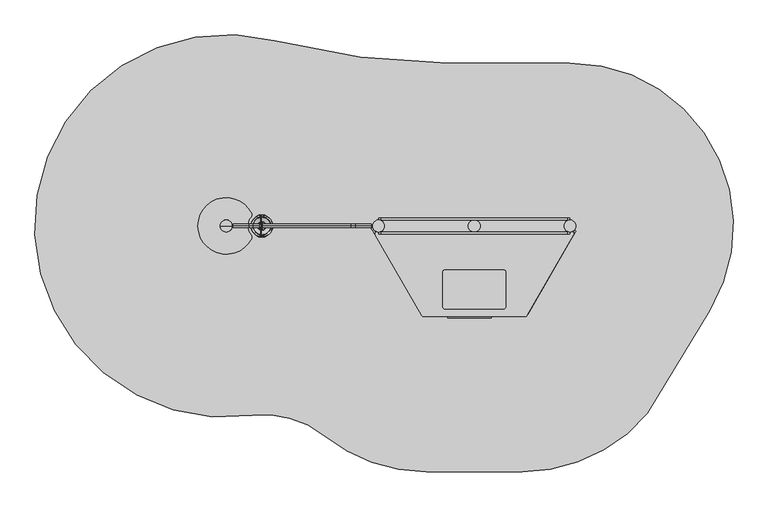
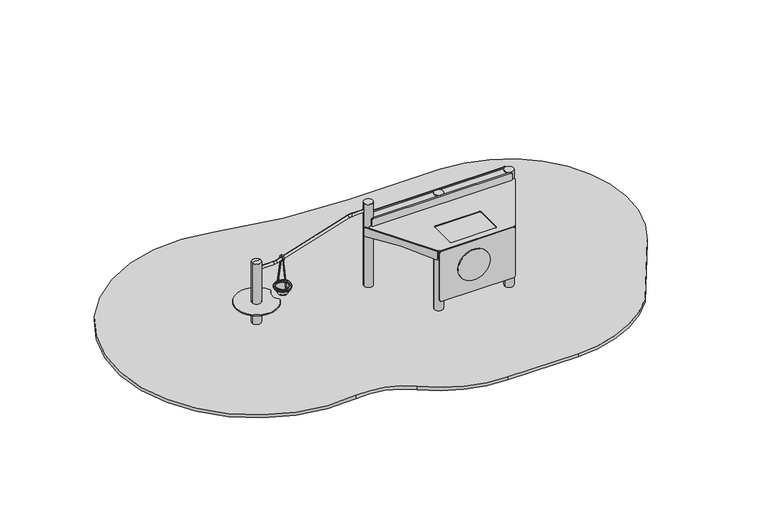
"""IFC4 building model written with IfcOpenShell, lengths in millimetres: furniture geometry."""

from ifc_helpers import new_model, si_unit, point, frame, frame_2d, origin, origin_2d, place, context, project, spatial, polyline, circle_curve, ellipse_curve, trimmed, segment, composite_curve, outline, extrude, source, transform, mapped, element, save
from ifc_brep_helpers import plane_surface, cylinder_surface, revolved_surface, advanced_brep


def furniture_1434e474(model_context):
    return source(origin(), model_context, "Body", "SolidModel", [
        advanced_brep(
        [(-1345.0, 0.0, 800.0), (-1455.0, 0.0, 800.0), (-1400.0, 0.0, 812.0246565), (-1400.0, 0.0, 800.0)],
        [
            (0, 1, circle_curve(frame((-1400.0, 0.0, 800.0), z_axis=(0.0, 0.0, 1.0), x_axis=(-1.0, 0.0, 0.0)), 55.0)),
            (1, 2, circle_curve(frame((-1404.5450144, 0.0, 701.0177111), z_axis=(0.0, 1.0, 0.0), x_axis=(-1.0, 0.0, 0.0)), 111.0999509)),
            (2, 0, circle_curve(frame((-1395.4549856, 0.0, 701.0177111), z_axis=(0.0, 1.0, 0.0), x_axis=(1.0, 0.0, 0.0)), 111.0999509)),
            (1, 0, circle_curve(frame((-1400.0, 0.0, 800.0), z_axis=(0.0, 0.0, 1.0), x_axis=(-1.0, 0.0, 0.0)), 55.0)),
            (3, 1),
            (0, 3),
        ],
        [
            revolved_surface(trimmed(ellipse_curve(frame((-1404.5450144, 0.0, 701.0177111), z_axis=(0.0, -1.0, 0.0), x_axis=(-1.0, 0.0, 0.0)), 111.0999509, 111.0999509), [point((-1400.0, 0.0, 812.0246565))], [point((-1455.0, 0.0, 800.0))], True, "CARTESIAN"), (-1400.0, 0.0, 419.0), (0.0, 0.0, -1.0)),
            plane_surface(frame((-1400.0, 0.0, 800.0), z_axis=(0.0, 0.0, -1.0), x_axis=(-1.0, 0.0, 0.0))),
        ],
        [
            (0, [[1, 2, 3]]),
            (0, [[4, -3, -2]]),
            (1, [[5, -1, 6]]),
            (1, [[-6, -4, -5]]),
        ],
    ),
        extrude(outline(composite_curve([segment(trimmed(circle_curve(frame_2d((635.7799488, 7840.0)), 6340.0), [point((-957.6576901, 1703.5061728))], [point((635.7799488, 1500.0))], True, "CARTESIAN"), True, "CONTINUOUS"), segment(polyline([(635.7799488, 1500.0), (1760.0, 1500.0)]), True, "CONTINUOUS"), segment(trimmed(circle_curve(frame_2d((1760.0, 0.0)), 1500.0), [point((1760.0, 1500.0))], [point((3043.5811662, -776.1568075))], False, "CARTESIAN"), True, "CONTINUOUS"), segment(polyline([(3043.5811662, -776.1568075), (2469.2561908, -1725.955501)]), True, "CONTINUOUS"), segment(trimmed(circle_curve(frame_2d((1320.0, -762.0)), 1500.0), [point((2469.2561908, -1725.955501))], [point((1320.0, -2262.0))], False, "CARTESIAN"), True, "CONTINUOUS"), segment(polyline([(1320.0, -2262.0), (440.0, -2262.0)]), True, "CONTINUOUS"), segment(trimmed(circle_curve(frame_2d((440.0, -762.0)), 1500.0), [point((440.0, -2262.0))], [point((-504.1146464, -1927.6103699))], False, "CARTESIAN"), True, "CONTINUOUS"), segment(trimmed(circle_curve(frame_2d((-1045.4070436, -2595.8936487)), 860.0), [point((-504.1146464, -1927.6103699))], [point((-1161.8001515, -1743.8064205))], True, "CARTESIAN"), True, "CONTINUOUS"), segment(trimmed(circle_curve(frame_2d((-1400.0, 0.0)), 1760.0), [point((-1161.8001515, -1743.8064205))], [point((-957.6576901, 1703.5061728))], False, "CARTESIAN"), True, "CONTINUOUS")], self_intersect=False)), frame((0.0, 0.0, -40.0), z_axis=(0.0, 0.0, 1.0), x_axis=(1.0, 0.0, 0.0)), (0.0, 0.0, 1.0), 41.0),
        extrude(outline(composite_curve([segment(trimmed(circle_curve(frame_2d((-1400.0, 0.0)), 55.0), [point((-1455.0, 0.0))], [point((-1345.0, 0.0))], False, "CARTESIAN"), True, "CONTINUOUS"), segment(trimmed(circle_curve(frame_2d((-1400.0, 0.0)), 55.0), [point((-1345.0, 0.0))], [point((-1455.0, 0.0))], False, "CARTESIAN"), True, "CONTINUOUS")], self_intersect=False)), frame((0.0, 0.0, -100.0), z_axis=(0.0, 0.0, 1.0), x_axis=(1.0, 0.0, 0.0)), (0.0, 0.0, 1.0), 900.0),
        extrude(outline(composite_curve([segment(trimmed(circle_curve(frame_2d((487.584354, 835.1614399)), 200.0), [point((487.584354, 635.1614399))], [point((487.584354, 1035.1614399))], False, "CARTESIAN"), True, "CONTINUOUS"), segment(trimmed(circle_curve(frame_2d((487.584354, 835.1614399)), 200.0), [point((487.584354, 1035.1614399))], [point((487.584354, 635.1614399))], False, "CARTESIAN"), True, "CONTINUOUS")], self_intersect=False)), frame((0.0, -846.4104492, 0.0), z_axis=(0.0, 1.0, 0.0), x_axis=(0.0, 0.0, 1.0)), (0.0, 0.0, 1.0), 12.0),
        advanced_brep(
        [(416.9967475, -834.4104492, 812.0), (1347.4714433, -834.4104492, 812.0), (1364.7919514, -824.4104492, 812.0), (1792.1265001, -84.2452991, 812.0), (1773.605792, -54.2813436, 812.0), (1761.6517634, -55.0, 812.0), (-11.8140663, -55.0, 812.0), (-29.1151699, -85.0335346, 812.0), (399.6956439, -824.4439838, 812.0), (610.0, -404.1548617, 812.0), (1150.0, -404.1548617, 812.0), (1170.0, -424.1548617, 812.0), (1170.0, -742.0, 812.0), (1150.0, -762.0, 812.0), (610.0, -762.0, 812.0), (590.0, -742.0, 812.0), (590.0, -424.1548617, 812.0), (416.9967475, -834.4104492, 800.0), (399.6956439, -824.4439838, 800.0), (-29.1151699, -85.0335346, 800.0), (-11.8140663, -55.0, 800.0), (1761.6517634, -55.0, 800.0), (1773.605792, -54.2813436, 800.0), (1792.1265001, -84.2452991, 800.0), (1364.7919514, -824.4104492, 800.0), (1347.4714433, -834.4104492, 800.0), (1150.0, -404.1548617, 802.0), (610.0, -404.1548617, 802.0), (590.0, -424.1548617, 802.0), (590.0, -742.0, 802.0), (610.0, -762.0, 802.0), (1150.0, -762.0, 802.0), (1170.0, -742.0, 802.0), (1170.0, -424.1548617, 802.0)],
        [
            (0, 1),
            (1, 2, circle_curve(frame((1347.4714433, -814.4104492, 812.0), z_axis=(0.0, 0.0, 1.0), x_axis=(1.0, 0.0, 0.0)), 20.0)),
            (2, 3),
            (3, 4, circle_curve(frame((1774.805992, -74.2452991, 812.0), z_axis=(0.0, 0.0, 1.0), x_axis=(1.0, 0.0, 0.0)), 20.0)),
            (4, 5),
            (5, 6),
            (6, 7, circle_curve(frame((-11.8140663, -75.0, 812.0), z_axis=(0.0, 0.0, 1.0), x_axis=(1.0, 0.0, 0.0)), 20.0)),
            (7, 8),
            (8, 0, circle_curve(frame((416.9967475, -814.4104492, 812.0), z_axis=(0.0, 0.0, 1.0), x_axis=(1.0, 0.0, 0.0)), 20.0)),
            (9, 10),
            (10, 11, circle_curve(frame((1150.0, -424.1548617, 812.0), z_axis=(0.0, 0.0, -1.0), x_axis=(1.0, 0.0, 0.0)), 20.0)),
            (11, 12),
            (12, 13, circle_curve(frame((1150.0, -742.0, 812.0), z_axis=(0.0, 0.0, -1.0), x_axis=(1.0, 0.0, 0.0)), 20.0)),
            (13, 14),
            (14, 15, circle_curve(frame((610.0, -742.0, 812.0), z_axis=(0.0, 0.0, -1.0), x_axis=(1.0, 0.0, 0.0)), 20.0)),
            (15, 16),
            (16, 9, circle_curve(frame((610.0, -424.1548617, 812.0), z_axis=(0.0, 0.0, -1.0), x_axis=(1.0, 0.0, 0.0)), 20.0)),
            (17, 18, circle_curve(frame((416.9967475, -814.4104492, 800.0), z_axis=(0.0, 0.0, -1.0), x_axis=(1.0, 0.0, 0.0)), 20.0)),
            (18, 19),
            (19, 20, circle_curve(frame((-11.8140663, -75.0, 800.0), z_axis=(0.0, 0.0, -1.0), x_axis=(1.0, 0.0, 0.0)), 20.0)),
            (20, 21),
            (21, 22),
            (22, 23, circle_curve(frame((1774.805992, -74.2452991, 800.0), z_axis=(0.0, 0.0, -1.0), x_axis=(1.0, 0.0, 0.0)), 20.0)),
            (23, 24),
            (24, 25, circle_curve(frame((1347.4714433, -814.4104492, 800.0), z_axis=(0.0, 0.0, -1.0), x_axis=(1.0, 0.0, 0.0)), 20.0)),
            (25, 17),
            (0, 17),
            (25, 1),
            (7, 19),
            (18, 8),
            (24, 2),
            (23, 3),
            (22, 4),
            (21, 5),
            (20, 6),
            (26, 27),
            (27, 28, circle_curve(frame((610.0, -424.1548617, 802.0), z_axis=(0.0, 0.0, 1.0), x_axis=(1.0, 0.0, 0.0)), 20.0)),
            (28, 29),
            (29, 30, circle_curve(frame((610.0, -742.0, 802.0), z_axis=(0.0, 0.0, 1.0), x_axis=(1.0, 0.0, 0.0)), 20.0)),
            (30, 31),
            (31, 32, circle_curve(frame((1150.0, -742.0, 802.0), z_axis=(0.0, 0.0, 1.0), x_axis=(1.0, 0.0, 0.0)), 20.0)),
            (32, 33),
            (33, 26, circle_curve(frame((1150.0, -424.1548617, 802.0), z_axis=(0.0, 0.0, 1.0), x_axis=(1.0, 0.0, 0.0)), 20.0)),
            (26, 10),
            (9, 27),
            (16, 28),
            (15, 29),
            (14, 30),
            (13, 31),
            (12, 32),
            (11, 33),
        ],
        [
            plane_surface(frame((1351.65283, -834.4104492, 812.0), z_axis=(0.0, 0.0, 1.0), x_axis=(1.0, 0.0, 0.0))),
            plane_surface(frame((1351.65283, -834.4104492, 800.0), z_axis=(0.0, 0.0, -1.0), x_axis=(-1.0, 0.0, 0.0))),
            plane_surface(frame((416.9967475, -834.4104492, 812.0), z_axis=(0.0, -1.0, 0.0), x_axis=(0.0, 0.0, -1.0))),
            plane_surface(frame((-29.1151699, -85.0335346, 812.0), z_axis=(-0.8650551777748036, -0.5016767279882565, 0.0), x_axis=(0.0, 0.0, -1.0))),
            cylinder_surface(frame((416.9967475, -814.4104492, 800.0), z_axis=(0.0, 0.0, 1.0), x_axis=(1.0, 0.0, 0.0)), 20.0),
            cylinder_surface(frame((1347.4714433, -814.4104492, 800.0), z_axis=(0.0, 0.0, 1.0), x_axis=(1.0, 0.0, 0.0)), 20.0),
            plane_surface(frame((1364.7919514, -824.4104492, 812.0), z_axis=(0.866025403784438, -0.500000000000001, 0.0), x_axis=(0.0, 0.0, -1.0))),
            cylinder_surface(frame((1774.805992, -74.2452991, 800.0), z_axis=(0.0, 0.0, 1.0), x_axis=(1.0, 0.0, 0.0)), 20.0),
            plane_surface(frame((1773.605792, -54.2813436, 812.0), z_axis=(-0.06001000084399459, 0.9981977758934868, 0.0), x_axis=(0.0, 0.0, -1.0))),
            plane_surface(frame((1761.6517634, -55.0, 812.0), z_axis=(0.0, 1.0, 0.0), x_axis=(0.0, 0.0, -1.0))),
            cylinder_surface(frame((-11.8140663, -75.0, 800.0), z_axis=(0.0, 0.0, 1.0), x_axis=(1.0, 0.0, 0.0)), 20.0),
            plane_surface(frame((566.308841, -404.1548617, 802.0), z_axis=(0.0, 0.0, 1.0), x_axis=(1.0, 0.0, 0.0))),
            plane_surface(frame((1150.0, -404.1548617, 812.0), z_axis=(0.0, -1.0, 0.0), x_axis=(0.0, 0.0, -1.0))),
            revolved_surface(polyline([(630.0, -424.1548617, 812.0), (630.0, -424.1548617, 802.0)]), (610.0, -424.1548617, 802.0), (0.0, 0.0, 1.0)),
            plane_surface(frame((590.0, -424.1548617, 812.0), z_axis=(1.0, 0.0, 0.0), x_axis=(0.0, 0.0, -1.0))),
            revolved_surface(polyline([(630.0, -742.0, 812.0), (630.0, -742.0, 802.0)]), (610.0, -742.0, 802.0), (0.0, 0.0, 1.0)),
            plane_surface(frame((610.0, -762.0, 812.0), z_axis=(0.0, 1.0, 0.0), x_axis=(0.0, 0.0, -1.0))),
            revolved_surface(polyline([(1170.0, -742.0, 812.0), (1170.0, -742.0, 802.0)]), (1150.0, -742.0, 802.0), (0.0, 0.0, 1.0)),
            plane_surface(frame((1170.0, -742.0, 812.0), z_axis=(-1.0, 0.0, 0.0), x_axis=(0.0, 0.0, -1.0))),
            revolved_surface(polyline([(1170.0, -424.1548617, 812.0), (1170.0, -424.1548617, 802.0)]), (1150.0, -424.1548617, 802.0), (0.0, 0.0, 1.0)),
        ],
        [
            (0, [[1, 2, 3, 4, 5, 6, 7, 8, 9], [10, 11, 12, 13, 14, 15, 16, 17]]),
            (1, [[18, 19, 20, 21, 22, 23, 24, 25, 26]]),
            (2, [[-1, 27, -26, 28]]),
            (3, [[-8, 29, -19, 30]]),
            (4, [[-9, -30, -18, -27]]),
            (5, [[-2, -28, -25, 31]]),
            (6, [[-3, -31, -24, 32]]),
            (7, [[-4, -32, -23, 33]]),
            (8, [[-5, -33, -22, 34]]),
            (9, [[-6, -34, -21, 35]]),
            (10, [[-7, -35, -20, -29]]),
            (11, [[36, 37, 38, 39, 40, 41, 42, 43]]),
            (12, [[-36, 44, -10, 45]]),
            (13, [[-37, -45, -17, 46]]),
            (14, [[-38, -46, -16, 47]]),
            (15, [[-39, -47, -15, 48]]),
            (16, [[-40, -48, -14, 49]]),
            (17, [[-41, -49, -13, 50]]),
            (18, [[-42, -50, -12, 51]]),
            (19, [[-43, -51, -11, -44]]),
        ],
    ),
        extrude(outline(composite_curve([segment(trimmed(circle_curve(frame_2d((892.0, 20.0)), 20.0), [point((912.0, 20.0))], [point((892.0, 0.0))], False, "CARTESIAN"), True, "CONTINUOUS"), segment(polyline([(892.0, 0.0), (658.0, 0.0)]), True, "CONTINUOUS"), segment(trimmed(circle_curve(frame_2d((658.0, 20.0)), 20.0), [point((658.0, 0.0))], [point((638.0, 20.0))], False, "CARTESIAN"), True, "CONTINUOUS"), segment(polyline([(638.0, 20.0), (638.0, 1740.0)]), True, "CONTINUOUS"), segment(trimmed(circle_curve(frame_2d((658.0, 1740.0)), 20.0), [point((638.0, 1740.0))], [point((658.0, 1760.0))], False, "CARTESIAN"), True, "CONTINUOUS"), segment(polyline([(658.0, 1760.0), (892.0, 1760.0)]), True, "CONTINUOUS"), segment(trimmed(circle_curve(frame_2d((892.0, 1740.0)), 20.0), [point((892.0, 1760.0))], [point((912.0, 1740.0))], False, "CARTESIAN"), True, "CONTINUOUS"), segment(polyline([(912.0, 1740.0), (912.0, 20.0)]), True, "CONTINUOUS")], self_intersect=False)), frame((0.0, 55.0, 0.0), z_axis=(0.0, 1.0, 0.0), x_axis=(0.0, 0.0, 1.0)), (0.0, 0.0, 1.0), 17.4599432),
        extrude(outline(composite_curve([segment(polyline([(912.0, 1740.0), (912.0, 20.0)]), True, "CONTINUOUS"), segment(trimmed(circle_curve(frame_2d((892.0, 20.0)), 20.0), [point((912.0, 20.0))], [point((892.0, 0.0))], False, "CARTESIAN"), True, "CONTINUOUS"), segment(polyline([(892.0, 0.0), (832.0, 0.0)]), True, "CONTINUOUS"), segment(trimmed(circle_curve(frame_2d((832.0, 20.0)), 20.0), [point((832.0, 0.0))], [point((812.0, 20.0))], False, "CARTESIAN"), True, "CONTINUOUS"), segment(polyline([(812.0, 20.0), (812.0, 1740.0)]), True, "CONTINUOUS"), segment(trimmed(circle_curve(frame_2d((832.0, 1740.0)), 20.0), [point((812.0, 1740.0))], [point((832.0, 1760.0))], False, "CARTESIAN"), True, "CONTINUOUS"), segment(polyline([(832.0, 1760.0), (892.0, 1760.0)]), True, "CONTINUOUS"), segment(trimmed(circle_curve(frame_2d((892.0, 1740.0)), 20.0), [point((892.0, 1760.0))], [point((912.0, 1740.0))], False, "CARTESIAN"), True, "CONTINUOUS")], self_intersect=False)), frame((0.0, -72.5400568, 0.0), z_axis=(0.0, 1.0, 0.0), x_axis=(0.0, 0.0, 1.0)), (0.0, 0.0, 1.0), 17.5400568),
        advanced_brep(
        [(1760.0, 55.0, 900.0), (10.0, 55.0, 900.0), (7.030214, 54.5488413, 900.0), (55.0, 0.0, 900.0), (7.030214, -54.5488413, 900.0), (10.0, -55.0, 900.0), (1760.0, -55.0, 900.0), (1705.0, 0.0, 900.0), (1760.0, 55.0, 888.0), (1705.0, 0.0, 888.0), (1760.0, -55.0, 888.0), (10.0, -55.0, 888.0), (7.030214, -54.5488413, 888.0), (55.0, 0.0, 888.0), (7.030214, 54.5488413, 888.0), (10.0, 55.0, 888.0)],
        [
            (0, 1),
            (1, 2, circle_curve(frame((10.0, 45.0, 900.0), z_axis=(0.0, 0.0, 1.0), x_axis=(1.0, 0.0, 0.0)), 10.0)),
            (2, 3, circle_curve(frame((0.0, 0.0, 900.0), z_axis=(0.0, 0.0, -1.0), x_axis=(1.0, 0.0, 0.0)), 55.0)),
            (3, 4, circle_curve(frame((0.0, 0.0, 900.0), z_axis=(0.0, 0.0, -1.0), x_axis=(1.0, 0.0, 0.0)), 55.0)),
            (4, 5, circle_curve(frame((10.0, -45.0, 900.0), z_axis=(0.0, 0.0, 1.0), x_axis=(1.0, 0.0, 0.0)), 10.0)),
            (5, 6),
            (6, 7, circle_curve(frame((1760.0, 0.0, 900.0), z_axis=(0.0, 0.0, -1.0), x_axis=(1.0, 0.0, 0.0)), 55.0)),
            (7, 0, circle_curve(frame((1760.0, 0.0, 900.0), z_axis=(0.0, 0.0, -1.0), x_axis=(1.0, 0.0, 0.0)), 55.0)),
            (8, 9, circle_curve(frame((1760.0, 0.0, 888.0), z_axis=(0.0, 0.0, 1.0), x_axis=(1.0, 0.0, 0.0)), 55.0)),
            (9, 10, circle_curve(frame((1760.0, 0.0, 888.0), z_axis=(0.0, 0.0, 1.0), x_axis=(1.0, 0.0, 0.0)), 55.0)),
            (10, 11),
            (11, 12, circle_curve(frame((10.0, -45.0, 888.0), z_axis=(0.0, 0.0, -1.0), x_axis=(1.0, 0.0, 0.0)), 10.0)),
            (12, 13, circle_curve(frame((0.0, 0.0, 888.0), z_axis=(0.0, 0.0, 1.0), x_axis=(1.0, 0.0, 0.0)), 55.0)),
            (13, 14, circle_curve(frame((0.0, 0.0, 888.0), z_axis=(0.0, 0.0, 1.0), x_axis=(1.0, 0.0, 0.0)), 55.0)),
            (14, 15, circle_curve(frame((10.0, 45.0, 888.0), z_axis=(0.0, 0.0, -1.0), x_axis=(1.0, 0.0, 0.0)), 10.0)),
            (15, 8),
            (0, 8),
            (15, 1),
            (14, 2),
            (13, 3),
            (12, 4),
            (11, 5),
            (10, 6),
            (9, 7),
        ],
        [
            plane_surface(frame((54.9264069, 55.0, 900.0), z_axis=(0.0, 0.0, 1.0), x_axis=(-1.0, 0.0, 0.0))),
            plane_surface(frame((54.9264069, 55.0, 888.0), z_axis=(0.0, 0.0, -1.0), x_axis=(1.0, 0.0, 0.0))),
            plane_surface(frame((1760.0, 55.0, 900.0), z_axis=(0.0, 1.0, 0.0), x_axis=(0.0, 0.0, -1.0))),
            cylinder_surface(frame((10.0, 45.0, 888.0), z_axis=(0.0, 0.0, 1.0), x_axis=(1.0, 0.0, 0.0)), 10.0),
            revolved_surface(polyline([(55.0, 0.0, 888.0), (55.0, 0.0, 900.0)]), (0.0, 0.0, 888.0), (0.0, 0.0, -1.0)),
            cylinder_surface(frame((10.0, -45.0, 888.0), z_axis=(0.0, 0.0, 1.0), x_axis=(1.0, 0.0, 0.0)), 10.0),
            plane_surface(frame((10.0, -55.0, 900.0), z_axis=(0.0, -1.0, 0.0), x_axis=(0.0, 0.0, -1.0))),
            revolved_surface(polyline([(1815.0, 0.0, 888.0), (1815.0, 0.0, 900.0)]), (1760.0, 0.0, 888.0), (0.0, 0.0, -1.0)),
        ],
        [
            (0, [[1, 2, 3, 4, 5, 6, 7, 8]]),
            (1, [[9, 10, 11, 12, 13, 14, 15, 16]]),
            (2, [[-1, 17, -16, 18]]),
            (3, [[-2, -18, -15, 19]]),
            (4, [[-3, -19, -14, 20]]),
            (4, [[-4, -20, -13, 21]]),
            (5, [[-5, -21, -12, 22]]),
            (6, [[-6, -22, -11, 23]]),
            (7, [[-7, -23, -10, 24]]),
            (7, [[-8, -24, -9, -17]]),
        ],
    ),
        extrude(outline(composite_curve([segment(polyline([(134.984166, 434.9079904), (134.984166, 1334.9079904)]), True, "CONTINUOUS"), segment(trimmed(circle_curve(frame_2d((154.984166, 1334.9079904)), 20.0), [point((134.984166, 1334.9079904))], [point((154.984166, 1354.9079904))], False, "CARTESIAN"), True, "CONTINUOUS"), segment(polyline([(154.984166, 1354.9079904), (780.0, 1354.9079904)]), True, "CONTINUOUS"), segment(trimmed(circle_curve(frame_2d((780.0, 1334.9079904)), 20.0), [point((780.0, 1354.9079904))], [point((800.0, 1334.9079904))], False, "CARTESIAN"), True, "CONTINUOUS"), segment(polyline([(800.0, 1334.9079904), (800.0, 434.9079904)]), True, "CONTINUOUS"), segment(trimmed(circle_curve(frame_2d((780.0, 434.9079904)), 20.0), [point((800.0, 434.9079904))], [point((780.0, 414.9079904))], False, "CARTESIAN"), True, "CONTINUOUS"), segment(polyline([(780.0, 414.9079904), (154.984166, 414.9079904)]), True, "CONTINUOUS"), segment(trimmed(circle_curve(frame_2d((154.984166, 434.9079904)), 20.0), [point((154.984166, 414.9079904))], [point((134.984166, 434.9079904))], False, "CARTESIAN"), True, "CONTINUOUS")], self_intersect=False)), frame((0.0, -834.4104492, 0.0), z_axis=(0.0, 1.0, 0.0), x_axis=(0.0, 0.0, 1.0)), (0.0, 0.0, 1.0), 17.4104492),
        extrude(outline(composite_curve([segment(polyline([(-780.0, 0.0), (-20.0, 0.0)]), True, "CONTINUOUS"), segment(trimmed(circle_curve(frame_2d((-20.0, -20.0)), 20.0), [point((-20.0, 0.0))], [point((0.0, -20.0))], False, "CARTESIAN"), True, "CONTINUOUS"), segment(polyline([(0.0, -20.0), (0.0, -645.0432433)]), True, "CONTINUOUS"), segment(trimmed(circle_curve(frame_2d((-20.0, -645.0432433)), 20.0), [point((0.0, -645.0432433))], [point((-21.0467191, -665.015834))], False, "CARTESIAN"), True, "CONTINUOUS"), segment(polyline([(-21.0467191, -665.015834), (-860.0, -665.015834)]), True, "CONTINUOUS"), segment(trimmed(circle_curve(frame_2d((-860.0, -645.015834)), 20.0), [point((-860.0, -665.015834))], [point((-880.0, -645.015834))], False, "CARTESIAN"), True, "CONTINUOUS"), segment(polyline([(-880.0, -645.015834), (-880.0, -20.0)]), True, "CONTINUOUS"), segment(trimmed(circle_curve(frame_2d((-860.0, -20.0)), 20.0), [point((-880.0, -20.0))], [point((-860.0, 0.0))], False, "CARTESIAN"), True, "CONTINUOUS"), segment(polyline([(-860.0, 0.0), (-780.0, 0.0)]), True, "CONTINUOUS")], self_intersect=False)), frame((1373.7434808, -808.9059455, 800.0), z_axis=(-0.8660254037844382, 0.500000000000001, 0.0), x_axis=(-0.500000000000001, -0.8660254037844382, 0.0)), (0.0, 0.0, 1.0), 12.0),
        extrude(outline(composite_curve([segment(polyline([(-811.7725276, 0.0), (68.2274723, 0.0)]), True, "CONTINUOUS"), segment(trimmed(circle_curve(frame_2d((68.2274723, -20.0)), 20.0), [point((68.2274723, 0.0))], [point((88.2274724, -20.0))], False, "CARTESIAN"), True, "CONTINUOUS"), segment(polyline([(88.2274724, -20.0), (88.2274724, -97.5561272)]), True, "CONTINUOUS"), segment(trimmed(circle_curve(frame_2d((68.2274723, -97.5561272)), 20.0), [point((88.2274724, -97.5561272))], [point((65.9887279, -117.4304328))], False, "CARTESIAN"), True, "CONTINUOUS"), segment(trimmed(circle_curve(frame_2d((-371.7725276, -4003.6268237)), 3910.7745148), [point((65.9887279, -117.4304328))], [point((-809.5337831, -117.4304328))], True, "CARTESIAN"), True, "CONTINUOUS"), segment(trimmed(circle_curve(frame_2d((-811.7725276, -97.5561272)), 20.0), [point((-809.5337831, -117.4304328))], [point((-831.7725277, -97.5561272))], False, "CARTESIAN"), True, "CONTINUOUS"), segment(polyline([(-831.7725277, -97.5561272), (-831.7725277, -20.0)]), True, "CONTINUOUS"), segment(trimmed(circle_curve(frame_2d((-811.7725276, -20.0)), 20.0), [point((-831.7725277, -20.0))], [point((-811.7725276, 0.0))], False, "CARTESIAN"), True, "CONTINUOUS")], self_intersect=False)), frame((-20.6984381, -99.54674, 800.0), z_axis=(0.8650551777748035, 0.5016767279882568, 0.0), x_axis=(-0.5016767279882568, 0.8650551777748035, 0.0)), (0.0, 0.0, 1.0), 12.0),
        extrude(outline(composite_curve([segment(trimmed(circle_curve(frame_2d((440.0, -762.0)), 55.0), [point((385.0, -762.0))], [point((495.0, -762.0))], False, "CARTESIAN"), True, "CONTINUOUS"), segment(trimmed(circle_curve(frame_2d((440.0, -762.0)), 55.0), [point((495.0, -762.0))], [point((385.0, -762.0))], False, "CARTESIAN"), True, "CONTINUOUS")], self_intersect=False)), frame((0.0, 0.0, -100.0), z_axis=(0.0, 0.0, 1.0), x_axis=(1.0, 0.0, 0.0)), (0.0, 0.0, 1.0), 900.0),
        extrude(outline(composite_curve([segment(trimmed(circle_curve(frame_2d((1320.0, -762.0)), 55.0), [point((1265.0, -762.0))], [point((1375.0, -762.0))], False, "CARTESIAN"), True, "CONTINUOUS"), segment(trimmed(circle_curve(frame_2d((1320.0, -762.0)), 55.0), [point((1375.0, -762.0))], [point((1265.0, -762.0))], False, "CARTESIAN"), True, "CONTINUOUS")], self_intersect=False)), frame((0.0, 0.0, -100.0), z_axis=(0.0, 0.0, 1.0), x_axis=(1.0, 0.0, 0.0)), (0.0, 0.0, 1.0), 900.0),
        extrude(outline(composite_curve([segment(trimmed(circle_curve(frame_2d((880.0, 0.0)), 55.0), [point((825.0, 0.0))], [point((935.0, 0.0))], False, "CARTESIAN"), True, "CONTINUOUS"), segment(trimmed(circle_curve(frame_2d((880.0, 0.0)), 55.0), [point((935.0, 0.0))], [point((825.0, 0.0))], False, "CARTESIAN"), True, "CONTINUOUS")], self_intersect=False)), frame((0.0, 0.0, -100.0), z_axis=(0.0, 0.0, 1.0), x_axis=(1.0, 0.0, 0.0)), (0.0, 0.0, 1.0), 1012.0),
        extrude(outline(composite_curve([segment(trimmed(circle_curve(frame_2d((1760.0, 0.0)), 55.0), [point((1705.0, 0.0))], [point((1815.0, 0.0))], False, "CARTESIAN"), True, "CONTINUOUS"), segment(trimmed(circle_curve(frame_2d((1760.0, 0.0)), 55.0), [point((1815.0, 0.0))], [point((1705.0, 0.0))], False, "CARTESIAN"), True, "CONTINUOUS")], self_intersect=False)), frame((0.0, 0.0, -100.0), z_axis=(0.0, 0.0, 1.0), x_axis=(1.0, 0.0, 0.0)), (0.0, 0.0, 1.0), 1012.0),
        advanced_brep(
        [(-64.7, 0.0, 1016.296349), (-64.7, 0.0, 983.3367213), (-207.6284797, 0.0, 1016.296349), (-207.6284797, 0.0, 983.3367213), (-1335.3, 0.0, 721.4798138), (-1335.3, 0.0, 688.5201862), (-1193.5774359, 0.0, 688.5201862), (-1193.5774359, 0.0, 721.4798138), (-247.585595, 0.0, 977.2177481), (-257.4490597, 0.0, 1008.6668994), (-1153.6203206, 0.0, 727.5987871), (-1143.7568559, 0.0, 696.1496358)],
        [
            (0, 1, circle_curve(frame((-64.7, 0.0, 999.8165352), z_axis=(1.0, 0.0, 0.0), x_axis=(0.0, 0.0, -1.0)), 16.4798138)),
            (1, 0, circle_curve(frame((-64.7, 0.0, 999.8165352), z_axis=(1.0, 0.0, 0.0), x_axis=(0.0, 0.0, -1.0)), 16.4798138)),
            (0, 2),
            (2, 3, circle_curve(frame((-207.6284797, 0.0, 999.8165352), z_axis=(1.0, 0.0, 0.0), x_axis=(0.0, 0.0, -1.0)), 16.4798138)),
            (3, 1),
            (3, 2, circle_curve(frame((-207.6284797, 0.0, 999.8165352), z_axis=(1.0, 0.0, 0.0), x_axis=(0.0, 0.0, -1.0)), 16.4798138)),
            (4, 5, circle_curve(frame((-1335.3, 0.0, 705.0), z_axis=(-1.0, 0.0, 0.0), x_axis=(0.0, 0.0, -1.0)), 16.4798138)),
            (5, 4, circle_curve(frame((-1335.3, 0.0, 705.0), z_axis=(-1.0, 0.0, 0.0), x_axis=(0.0, 0.0, -1.0)), 16.4798138)),
            (6, 7, circle_curve(frame((-1193.5774359, 0.0, 705.0), z_axis=(-1.0, 0.0, 0.0), x_axis=(0.0, 0.0, -1.0)), 16.4798138)),
            (7, 4),
            (5, 6),
            (7, 6, circle_curve(frame((-1193.5774359, 0.0, 705.0), z_axis=(-1.0, 0.0, 0.0), x_axis=(0.0, 0.0, -1.0)), 16.4798138)),
            (8, 9, circle_curve(frame((-252.5173274, 0.0, 992.9423237), z_axis=(-0.9541719238223285, 0.0, -0.2992589844753147), x_axis=(0.2992589844753147, 0.0, -0.9541719238223285)), 16.4798138)),
            (9, 10),
            (10, 11, circle_curve(frame((-1148.6885883, 0.0, 711.8742114), z_axis=(0.9541719238223285, 0.0, 0.2992589844753147), x_axis=(0.2992589844753147, 0.0, -0.9541719238223285)), 16.4798138)),
            (11, 8),
            (9, 8, circle_curve(frame((-252.5173274, 0.0, 992.9423237), z_axis=(-0.9541719238223285, 0.0, -0.2992589844753147), x_axis=(0.2992589844753147, 0.0, -0.9541719238223285)), 16.4798138)),
            (11, 10, circle_curve(frame((-1148.6885883, 0.0, 711.8742114), z_axis=(0.9541719238223285, 0.0, 0.2992589844753147), x_axis=(0.2992589844753147, 0.0, -0.9541719238223285)), 16.4798138)),
            (6, 11, circle_curve(frame((-1193.5774359, 0.0, 855.0), z_axis=(0.0, -1.0, 0.0), x_axis=(0.2992589844753219, 0.0, -0.9541719238223262)), 166.4798138)),
            (10, 7, circle_curve(frame((-1193.5774359, 0.0, 855.0), z_axis=(0.0, 1.0, 0.0), x_axis=(0.2992589844753219, 0.0, -0.9541719238223262)), 133.5201862)),
            (8, 3, circle_curve(frame((-207.6284797, 0.0, 849.8165352), z_axis=(0.0, 1.0, 0.0), x_axis=(0.0, 0.0, 1.0)), 133.5201862)),
            (2, 9, circle_curve(frame((-207.6284797, 0.0, 849.8165352), z_axis=(0.0, -1.0, 0.0), x_axis=(0.0, 0.0, 1.0)), 166.4798138)),
        ],
        [
            plane_surface(frame((-64.7, 0.0, 999.8165352), z_axis=(1.0, 0.0, 0.0), x_axis=(0.0, -1.0, 0.0))),
            cylinder_surface(frame((-64.7, 0.0, 999.8165352), z_axis=(1.0, 0.0, 0.0), x_axis=(0.0, 0.0, -1.0)), 16.4798138),
            plane_surface(frame((-1335.3, 0.0, 705.0), z_axis=(-1.0, 0.0, 0.0), x_axis=(0.0, -1.0, 0.0))),
            cylinder_surface(frame((-1193.5774359, 0.0, 705.0), z_axis=(1.0, 0.0, 0.0), x_axis=(0.0, 0.0, -1.0)), 16.4798138),
            cylinder_surface(frame((-252.5173274, 0.0, 992.9423237), z_axis=(0.9541719238223285, 0.0, 0.2992589844753147), x_axis=(0.2992589844753147, 0.0, -0.9541719238223285)), 16.4798138),
            revolved_surface(trimmed(ellipse_curve(frame((-1148.6885883, 0.0, 711.8742114), z_axis=(0.9541719238223262, 0.0, 0.2992589844753219), x_axis=(0.2992589844753219, 0.0, -0.9541719238223262)), 16.4798138, 16.4798138), [point((-1153.6203206, 0.0, 727.5987871))], [point((-1143.7568559, 0.0, 696.1496358))], True, "CARTESIAN"), (-1193.5774359, 0.0, 855.0), (0.0, 1.0, 0.0)),
            revolved_surface(trimmed(ellipse_curve(frame((-1148.6885883, 0.0, 711.8742114), z_axis=(0.9541719238223262, 0.0, 0.2992589844753219), x_axis=(0.2992589844753219, 0.0, -0.9541719238223262)), 16.4798138, 16.4798138), [point((-1143.7568559, 0.0, 696.1496358))], [point((-1153.6203206, 0.0, 727.5987871))], True, "CARTESIAN"), (-1193.5774359, 0.0, 855.0), (0.0, 1.0, 0.0)),
            revolved_surface(trimmed(ellipse_curve(frame((-207.6284797, 0.0, 999.8165352), z_axis=(1.0, 0.0, 0.0), x_axis=(0.0, 0.0, -1.0)), 16.4798138, 16.4798138), [point((-207.6284797, 0.0, 1016.296349))], [point((-207.6284797, 0.0, 983.3367213))], True, "CARTESIAN"), (-207.6284797, 0.0, 849.8165352), (0.0, -1.0, 0.0)),
            revolved_surface(trimmed(ellipse_curve(frame((-207.6284797, 0.0, 999.8165352), z_axis=(1.0, 0.0, 0.0), x_axis=(0.0, 0.0, -1.0)), 16.4798138, 16.4798138), [point((-207.6284797, 0.0, 983.3367213))], [point((-207.6284797, 0.0, 1016.296349))], True, "CARTESIAN"), (-207.6284797, 0.0, 849.8165352), (0.0, -1.0, 0.0)),
        ],
        [
            (0, [[1, 2]]),
            (1, [[-1, 3, 4, 5]]),
            (1, [[-2, -5, 6, -3]]),
            (2, [[7, 8]]),
            (3, [[9, 10, -8, 11]]),
            (3, [[12, -11, -7, -10]]),
            (4, [[13, 14, 15, 16]]),
            (4, [[17, -16, 18, -14]]),
            (5, [[19, -15, 20, -9]]),
            (6, [[-20, -18, -19, -12]]),
            (7, [[21, -4, 22, -13]]),
            (8, [[-22, -6, -21, -17]]),
        ],
    ),
        extrude(outline(composite_curve([segment(trimmed(circle_curve(frame_2d((0.0, 736.8548203)), 30.0), [point((30.0, 736.8548203))], [point((-30.0, 736.8548203))], False, "CARTESIAN"), True, "CONTINUOUS"), segment(trimmed(circle_curve(frame_2d((0.0, 736.8548203)), 30.0), [point((-30.0, 736.8548203))], [point((30.0, 736.8548203))], False, "CARTESIAN"), True, "CONTINUOUS")], self_intersect=False), holes=[composite_curve([segment(trimmed(circle_curve(frame_2d((0.0, 736.8548203)), 16.5), [point((16.5, 736.8548203))], [point((-16.5, 736.8548203))], True, "CARTESIAN"), True, "CONTINUOUS"), segment(trimmed(circle_curve(frame_2d((0.0, 736.8548203)), 16.5), [point((-16.5, 736.8548203))], [point((16.5, 736.8548203))], True, "CARTESIAN"), True, "CONTINUOUS")], self_intersect=False)]), frame((-1090.0, 0.0, 0.0), z_axis=(1.0, 0.0, 0.0), x_axis=(0.0, 1.0, 0.0)), (0.0, 0.0, 1.0), 20.0),
        extrude(outline(composite_curve([segment(trimmed(circle_curve(frame_2d((-1399.8327207, 0.0)), 260.0), [point((-1167.1704801, -116.0529268))], [point((-1167.1704801, 116.0529268))], False, "CARTESIAN"), True, "CONTINUOUS"), segment(trimmed(circle_curve(frame_2d((-1194.0161233, 102.6622045)), 30.0), [point((-1167.1704801, 116.0529268))], [point((-1171.4756305, 82.8650787))], False, "CARTESIAN"), True, "CONTINUOUS"), segment(trimmed(circle_curve(frame_2d((-1077.1276061, 0.0)), 125.571378), [point((-1171.4756305, 82.8650787))], [point((-1171.4756305, -82.8650787))], True, "CARTESIAN"), True, "CONTINUOUS"), segment(trimmed(circle_curve(frame_2d((-1194.0161233, -102.6622045)), 30.0), [point((-1171.4756305, -82.8650787))], [point((-1167.1704801, -116.0529268))], False, "CARTESIAN"), True, "CONTINUOUS")], self_intersect=False), holes=[composite_curve([segment(trimmed(circle_curve(frame_2d((-1399.8327207, 0.0)), 55.0), [point((-1454.8327207, 0.0))], [point((-1344.8327207, 0.0))], True, "CARTESIAN"), True, "CONTINUOUS"), segment(trimmed(circle_curve(frame_2d((-1399.8327207, 0.0)), 55.0), [point((-1344.8327207, 0.0))], [point((-1454.8327207, 0.0))], True, "CARTESIAN"), True, "CONTINUOUS")], self_intersect=False)]), frame((0.0, 0.0, 261.5884938), z_axis=(0.0, 0.0, 1.0), x_axis=(1.0, 0.0, 0.0)), (0.0, 0.0, 1.0), 12.0),
        advanced_brep(
        [(-1080.0, 90.8975363, 367.6732209), (-1080.0, 98.9850783, 369.3039554), (-1080.0, 15.5237431, 741.4855806), (-1080.0, 23.611285, 743.1163152), (-1080.0, -88.4229394, 366.7809098), (-1080.0, -96.5217183, 368.3548886), (-1080.0, -23.7199626, 742.9503529), (-1080.0, -15.6211836, 741.3763741)],
        [
            (0, 1, circle_curve(frame((-1080.0, 94.9413073, 368.4885881), z_axis=(0.0, 0.19765734037912772, -0.9802711746217215), x_axis=(0.0, 0.9802711746217215, 0.19765734037912772)), 4.1251554)),
            (1, 0, circle_curve(frame((-1080.0, 94.9413073, 368.4885881), z_axis=(0.0, 0.19765734037912772, -0.9802711746217215), x_axis=(0.0, 0.9802711746217215, 0.19765734037912772)), 4.1251554)),
            (0, 2),
            (2, 3, circle_curve(frame((-1080.0, 19.5675141, 742.3009479), z_axis=(0.0, 0.19765734037912772, -0.9802711746217215), x_axis=(0.0, 0.9802711746217215, 0.19765734037912772)), 4.1251554)),
            (3, 1),
            (3, 2, circle_curve(frame((-1080.0, 19.5675141, 742.3009479), z_axis=(0.0, 0.19765734037912772, -0.9802711746217215), x_axis=(0.0, 0.9802711746217215, 0.19765734037912772)), 4.1251554)),
            (4, 5, circle_curve(frame((-1080.0, -92.4723288, 367.5678992), z_axis=(0.0, -0.19077812223960372, -0.9816331840737307), x_axis=(0.0, -0.9816331840737307, 0.19077812223960372)), 4.1251554)),
            (5, 4, circle_curve(frame((-1080.0, -92.4723288, 367.5678992), z_axis=(0.0, -0.19077812223960372, -0.9816331840737307), x_axis=(0.0, -0.9816331840737307, 0.19077812223960372)), 4.1251554)),
            (6, 7, circle_curve(frame((-1080.0, -19.6705731, 742.1633635), z_axis=(0.0, -0.19077812223960372, -0.9816331840737307), x_axis=(0.0, -0.9816331840737307, 0.19077812223960372)), 4.1251554)),
            (7, 4),
            (5, 6),
            (7, 6, circle_curve(frame((-1080.0, -19.6705731, 742.1633635), z_axis=(0.0, -0.19077812223960372, -0.9816331840737307), x_axis=(0.0, -0.9816331840737307, 0.19077812223960372)), 4.1251554)),
            (6, 3, circle_curve(frame((-1080.0, -0.0379094, 738.3478011), z_axis=(-1.0, 0.0, 0.0), x_axis=(0.0, 0.9802711746217225, 0.1976573403791226)), 24.1251554)),
            (2, 7, circle_curve(frame((-1080.0, -0.0379094, 738.3478011), z_axis=(1.0, 0.0, 0.0), x_axis=(0.0, 0.9802711746217225, 0.1976573403791226)), 15.8748446)),
        ],
        [
            plane_surface(frame((-1080.0, 94.9413073, 368.4885881), z_axis=(0.0, 0.19765734037912772, -0.9802711746217215), x_axis=(-1.0, 0.0, 0.0))),
            cylinder_surface(frame((-1080.0, 94.9413073, 368.4885881), z_axis=(0.0, 0.19765734037912772, -0.9802711746217215), x_axis=(0.0, 0.9802711746217215, 0.19765734037912772)), 4.1251554),
            plane_surface(frame((-1080.0, -92.4723288, 367.5678992), z_axis=(0.0, -0.19077812223960378, -0.9816331840737307), x_axis=(-1.0, 0.0, 0.0))),
            cylinder_surface(frame((-1080.0, -19.6705731, 742.1633635), z_axis=(0.0, 0.19077812223960372, 0.9816331840737307), x_axis=(0.0, -0.9816331840737307, 0.19077812223960372)), 4.1251554),
            revolved_surface(trimmed(ellipse_curve(frame((-1080.0, 19.5675141, 742.3009479), z_axis=(0.0, 0.1976573403791226, -0.9802711746217225), x_axis=(0.0, 0.9802711746217225, 0.1976573403791226)), 4.1251554, 4.1251554), [point((-1080.0, 15.5237431, 741.4855806))], [point((-1080.0, 23.611285, 743.1163152))], True, "CARTESIAN"), (-1080.0, -0.0379094, 738.3478011), (1.0, 0.0, 0.0)),
            revolved_surface(trimmed(ellipse_curve(frame((-1080.0, 19.5675141, 742.3009479), z_axis=(0.0, 0.1976573403791226, -0.9802711746217225), x_axis=(0.0, 0.9802711746217225, 0.1976573403791226)), 4.1251554, 4.1251554), [point((-1080.0, 23.611285, 743.1163152))], [point((-1080.0, 15.5237431, 741.4855806))], True, "CARTESIAN"), (-1080.0, -0.0379094, 738.3478011), (1.0, 0.0, 0.0)),
        ],
        [
            (0, [[1, 2]]),
            (1, [[-1, 3, 4, 5]]),
            (1, [[-2, -5, 6, -3]]),
            (2, [[7, 8]]),
            (3, [[9, 10, -8, 11]]),
            (3, [[12, -11, -7, -10]]),
            (4, [[13, -4, 14, -9]]),
            (5, [[-14, -6, -13, -12]]),
        ],
    ),
        advanced_brep(
        [(-1155.1537721, 0.0, 370.0678992), (-989.485947, 0.0, 370.0678992), (-972.7366769, 0.0, 370.0678992), (-1171.9030422, 0.0, 370.0678992), (-1154.41947, 0.0, 354.4403877), (-990.2202491, 0.0, 354.4403877), (-990.2202491, 0.0, 369.3335971), (-1154.41947, 0.0, 369.3335971), (-1114.0054427, 0.0, 278.6779763), (-1030.6342764, 0.0, 278.6779763), (-991.3646734, 0.0, 349.98968), (-1153.2750457, 0.0, 349.98968), (-1072.3198595, 0.0, 275.0678992), (-1036.7435099, 0.0, 275.0678992), (-1107.8962092, 0.0, 275.0678992), (-1112.7644566, 0.0, 265.0678992), (-1031.8752625, 0.0, 265.0678992), (-1072.3198595, 0.0, 265.0678992), (-1164.8067528, 0.0, 340.7542348), (-979.8329663, 0.0, 340.7542348), (-1023.3521492, 0.0, 269.8375513), (-1121.2875699, 0.0, 269.8375513), (-1172.6222571, 0.0, 369.3486843), (-972.0174619, 0.0, 369.3486843), (-972.0174619, 0.0, 352.9421821), (-1172.6222571, 0.0, 352.9421821), (-1170.5618921, 0.0, 348.0066215), (-974.077827, 0.0, 348.0066215)],
        [
            (0, 1, circle_curve(frame((-1072.3198595, 0.0, 370.0678992), z_axis=(0.0, 0.0, -1.0), x_axis=(1.0, 0.0, 0.0)), 82.8339125)),
            (1, 2),
            (2, 3, circle_curve(frame((-1072.3198595, 0.0, 370.0678992), z_axis=(0.0, 0.0, 1.0), x_axis=(1.0, 0.0, 0.0)), 99.5831827)),
            (3, 0),
            (1, 0, circle_curve(frame((-1072.3198595, 0.0, 370.0678992), z_axis=(0.0, 0.0, -1.0), x_axis=(1.0, 0.0, 0.0)), 82.8339125)),
            (3, 2, circle_curve(frame((-1072.3198595, 0.0, 370.0678992), z_axis=(0.0, 0.0, 1.0), x_axis=(1.0, 0.0, 0.0)), 99.5831827)),
            (4, 5, circle_curve(frame((-1072.3198595, 0.0, 354.4403877), z_axis=(0.0, 0.0, -1.0), x_axis=(1.0, 0.0, 0.0)), 82.0996104)),
            (5, 6),
            (6, 7, circle_curve(frame((-1072.3198595, 0.0, 369.3335971), z_axis=(0.0, 0.0, 1.0), x_axis=(1.0, 0.0, 0.0)), 82.0996104)),
            (7, 4),
            (5, 4, circle_curve(frame((-1072.3198595, 0.0, 354.4403877), z_axis=(0.0, 0.0, -1.0), x_axis=(1.0, 0.0, 0.0)), 82.0996104)),
            (7, 6, circle_curve(frame((-1072.3198595, 0.0, 369.3335971), z_axis=(0.0, 0.0, 1.0), x_axis=(1.0, 0.0, 0.0)), 82.0996104)),
            (8, 9, circle_curve(frame((-1072.3198595, 0.0, 278.6779763), z_axis=(0.0, 0.0, -1.0), x_axis=(1.0, 0.0, 0.0)), 41.6855832)),
            (9, 10),
            (10, 11, circle_curve(frame((-1072.3198595, 0.0, 349.98968), z_axis=(0.0, 0.0, 1.0), x_axis=(1.0, 0.0, 0.0)), 80.9551862)),
            (11, 8),
            (9, 8, circle_curve(frame((-1072.3198595, 0.0, 278.6779763), z_axis=(0.0, 0.0, -1.0), x_axis=(1.0, 0.0, 0.0)), 41.6855832)),
            (11, 10, circle_curve(frame((-1072.3198595, 0.0, 349.98968), z_axis=(0.0, 0.0, 1.0), x_axis=(1.0, 0.0, 0.0)), 80.9551862)),
            (12, 13),
            (13, 14, circle_curve(frame((-1072.3198595, 0.0, 275.0678992), z_axis=(0.0, 0.0, 1.0), x_axis=(1.0, 0.0, 0.0)), 35.5763497)),
            (14, 12),
            (14, 13, circle_curve(frame((-1072.3198595, 0.0, 275.0678992), z_axis=(0.0, 0.0, 1.0), x_axis=(1.0, 0.0, 0.0)), 35.5763497)),
            (15, 16, circle_curve(frame((-1072.3198595, 0.0, 265.0678992), z_axis=(0.0, 0.0, -1.0), x_axis=(1.0, 0.0, 0.0)), 40.444597)),
            (16, 17),
            (17, 15),
            (16, 15, circle_curve(frame((-1072.3198595, 0.0, 265.0678992), z_axis=(0.0, 0.0, -1.0), x_axis=(1.0, 0.0, 0.0)), 40.444597)),
            (18, 19, circle_curve(frame((-1072.3198595, 0.0, 340.7542348), z_axis=(0.0, 0.0, -1.0), x_axis=(1.0, 0.0, 0.0)), 92.4868932)),
            (19, 20),
            (20, 21, circle_curve(frame((-1072.3198595, 0.0, 269.8375513), z_axis=(0.0, 0.0, 1.0), x_axis=(1.0, 0.0, 0.0)), 48.9677104)),
            (21, 18),
            (19, 18, circle_curve(frame((-1072.3198595, 0.0, 340.7542348), z_axis=(0.0, 0.0, -1.0), x_axis=(1.0, 0.0, 0.0)), 92.4868932)),
            (21, 20, circle_curve(frame((-1072.3198595, 0.0, 269.8375513), z_axis=(0.0, 0.0, 1.0), x_axis=(1.0, 0.0, 0.0)), 48.9677104)),
            (22, 23, circle_curve(frame((-1072.3198595, 0.0, 369.3486843), z_axis=(0.0, 0.0, -1.0), x_axis=(1.0, 0.0, 0.0)), 100.3023976)),
            (23, 24),
            (24, 25, circle_curve(frame((-1072.3198595, 0.0, 352.9421821), z_axis=(0.0, 0.0, 1.0), x_axis=(1.0, 0.0, 0.0)), 100.3023976)),
            (25, 22),
            (23, 22, circle_curve(frame((-1072.3198595, 0.0, 369.3486843), z_axis=(0.0, 0.0, -1.0), x_axis=(1.0, 0.0, 0.0)), 100.3023976)),
            (25, 24, circle_curve(frame((-1072.3198595, 0.0, 352.9421821), z_axis=(0.0, 0.0, 1.0), x_axis=(1.0, 0.0, 0.0)), 100.3023976)),
            (6, 1, circle_curve(frame((-989.485947, 0.0, 369.3335971), z_axis=(0.0, 1.0, 0.0), x_axis=(1.0, 0.0, 0.0)), 0.7343021)),
            (0, 7, circle_curve(frame((-1155.1537721, 0.0, 369.3335971), z_axis=(0.0, 1.0, 0.0), x_axis=(-1.0, 0.0, 0.0)), 0.7343021)),
            (10, 5, circle_curve(frame((-999.4469437, 0.0, 354.4403877), z_axis=(0.0, -1.0, 0.0), x_axis=(1.0, 0.0, 0.0)), 9.2266946)),
            (4, 11, circle_curve(frame((-1145.1927754, 0.0, 354.4403877), z_axis=(0.0, -1.0, 0.0), x_axis=(-1.0, 0.0, 0.0)), 9.2266946)),
            (13, 9, circle_curve(frame((-1036.7435099, 0.0, 282.0421811), z_axis=(0.0, -1.0, 0.0), x_axis=(1.0, 0.0, 0.0)), 6.9742819)),
            (8, 14, circle_curve(frame((-1107.8962092, 0.0, 282.0421811), z_axis=(0.0, -1.0, 0.0), x_axis=(-1.0, 0.0, 0.0)), 6.9742819)),
            (20, 16, circle_curve(frame((-1031.8752625, 0.0, 275.0678992), z_axis=(0.0, 1.0, 0.0), x_axis=(1.0, 0.0, 0.0)), 10.0)),
            (15, 21, circle_curve(frame((-1112.7644566, 0.0, 275.0678992), z_axis=(0.0, 1.0, 0.0), x_axis=(-1.0, 0.0, 0.0)), 10.0)),
            (26, 27, circle_curve(frame((-1072.3198595, 0.0, 348.0066215), z_axis=(0.0, 0.0, -1.0), x_axis=(1.0, 0.0, 0.0)), 98.2420325)),
            (27, 19, circle_curve(frame((-946.9803049, 0.0, 320.5936617), z_axis=(0.0, -1.0, 0.0), x_axis=(1.0, 0.0, 0.0)), 38.5453768)),
            (18, 26, circle_curve(frame((-1197.6594142, 0.0, 320.5936617), z_axis=(0.0, -1.0, 0.0), x_axis=(-1.0, 0.0, 0.0)), 38.5453768)),
            (27, 26, circle_curve(frame((-1072.3198595, 0.0, 348.0066215), z_axis=(0.0, 0.0, -1.0), x_axis=(1.0, 0.0, 0.0)), 98.2420325)),
            (24, 27, circle_curve(frame((-978.9565948, 0.0, 352.9421821), z_axis=(0.0, 1.0, 0.0), x_axis=(1.0, 0.0, 0.0)), 6.9391328)),
            (26, 25, circle_curve(frame((-1165.6831243, 0.0, 352.9421821), z_axis=(0.0, 1.0, 0.0), x_axis=(-1.0, 0.0, 0.0)), 6.9391328)),
            (2, 23, circle_curve(frame((-972.7366769, 0.0, 369.3486843), z_axis=(0.0, 1.0, 0.0), x_axis=(1.0, 0.0, 0.0)), 0.7192149)),
            (22, 3, circle_curve(frame((-1171.9030422, 0.0, 369.3486843), z_axis=(0.0, 1.0, 0.0), x_axis=(-1.0, 0.0, 0.0)), 0.7192149)),
        ],
        [
            plane_surface(frame((-1072.3198595, 0.0, 370.0678992), z_axis=(0.0, 0.0, 1.0), x_axis=(1.0, 0.0, 0.0))),
            revolved_surface(polyline([(-990.2202490999999, 0.0, 369.3335971), (-990.2202490999999, 0.0, 354.4403877)]), (-1072.3198595, 0.0, 265.0678992), (0.0, 0.0, 1.0)),
            revolved_surface(polyline([(-991.3646734, 0.0, 349.98968), (-1030.6342764, 0.0, 278.6779763)]), (-1072.3198595, 0.0, 265.0678992), (0.0, 0.0, 1.0)),
            plane_surface(frame((-1072.3198595, 0.0, 275.0678992), z_axis=(0.0, 0.0, 1.0), x_axis=(1.0, 0.0, 0.0))),
            plane_surface(frame((-1072.3198595, 0.0, 265.0678992), z_axis=(0.0, 0.0, -1.0), x_axis=(1.0, 0.0, 0.0))),
            revolved_surface(polyline([(-1023.3521492, 0.0, 269.8375513), (-979.8329663, 0.0, 340.7542348)]), (-1072.3198595, 0.0, 265.0678992), (0.0, 0.0, 1.0)),
            cylinder_surface(frame((-1072.3198595, 0.0, 265.0678992), z_axis=(0.0, 0.0, 1.0), x_axis=(1.0, 0.0, 0.0)), 100.3023976),
            revolved_surface(trimmed(ellipse_curve(frame((-989.485947, 0.0, 369.3335971), z_axis=(0.0, -1.0, 0.0), x_axis=(1.0, 0.0, 0.0)), 0.7343021, 0.7343021), [point((-989.485947, 0.0, 370.0678992))], [point((-990.2202491, 0.0, 369.3335971))], True, "CARTESIAN"), (-1072.3198595, 0.0, 265.0678992), (0.0, 0.0, 1.0)),
            revolved_surface(trimmed(ellipse_curve(frame((-999.4469437, 0.0, 354.4403877), z_axis=(0.0, 1.0, 0.0), x_axis=(1.0, 0.0, 0.0)), 9.2266946, 9.2266946), [point((-990.2202491, 0.0, 354.4403877))], [point((-991.3646734, 0.0, 349.98968))], True, "CARTESIAN"), (-1072.3198595, 0.0, 265.0678992), (0.0, 0.0, 1.0)),
            revolved_surface(trimmed(ellipse_curve(frame((-1036.7435099, 0.0, 282.0421811), z_axis=(0.0, 1.0, 0.0), x_axis=(1.0, 0.0, 0.0)), 6.9742819, 6.9742819), [point((-1030.6342764, 0.0, 278.6779763))], [point((-1036.7435099, 0.0, 275.0678992))], True, "CARTESIAN"), (-1072.3198595, 0.0, 265.0678992), (0.0, 0.0, 1.0)),
            revolved_surface(trimmed(ellipse_curve(frame((-1031.8752625, 0.0, 275.0678992), z_axis=(0.0, -1.0, 0.0), x_axis=(1.0, 0.0, 0.0)), 10.0, 10.0), [point((-1031.8752625, 0.0, 265.0678992))], [point((-1023.3521492, 0.0, 269.8375513))], True, "CARTESIAN"), (-1072.3198595, 0.0, 265.0678992), (0.0, 0.0, 1.0)),
            revolved_surface(trimmed(ellipse_curve(frame((-946.9803049, 0.0, 320.5936617), z_axis=(0.0, 1.0, 0.0), x_axis=(1.0, 0.0, 0.0)), 38.5453768, 38.5453768), [point((-979.8329663, 0.0, 340.7542348))], [point((-974.077827, 0.0, 348.0066215))], True, "CARTESIAN"), (-1072.3198595, 0.0, 265.0678992), (0.0, 0.0, 1.0)),
            revolved_surface(trimmed(ellipse_curve(frame((-978.9565948, 0.0, 352.9421821), z_axis=(0.0, -1.0, 0.0), x_axis=(1.0, 0.0, 0.0)), 6.9391328, 6.9391328), [point((-974.0783624, 0.0, 348.0071631))], [point((-972.0174619, 0.0, 352.9421821))], True, "CARTESIAN"), (-1072.3198595, 0.0, 265.0678992), (0.0, 0.0, 1.0)),
            revolved_surface(trimmed(ellipse_curve(frame((-972.7366769, 0.0, 369.3486843), z_axis=(0.0, -1.0, 0.0), x_axis=(1.0, 0.0, 0.0)), 0.7192149, 0.7192149), [point((-972.0174619, 0.0, 369.3486843))], [point((-972.7366769, 0.0, 370.0678992))], True, "CARTESIAN"), (-1072.3198595, 0.0, 265.0678992), (0.0, 0.0, 1.0)),
        ],
        [
            (0, [[1, 2, 3, 4]]),
            (0, [[5, -4, 6, -2]]),
            (1, [[7, 8, 9, 10]]),
            (1, [[11, -10, 12, -8]]),
            (2, [[13, 14, 15, 16]]),
            (2, [[17, -16, 18, -14]]),
            (3, [[19, 20, 21]]),
            (3, [[-21, 22, -19]]),
            (4, [[23, 24, 25]]),
            (4, [[26, -25, -24]]),
            (5, [[27, 28, 29, 30]]),
            (5, [[31, -30, 32, -28]]),
            (6, [[33, 34, 35, 36]]),
            (6, [[37, -36, 38, -34]]),
            (7, [[-9, 39, -1, 40]]),
            (7, [[-12, -40, -5, -39]]),
            (8, [[-15, 41, -7, 42]]),
            (8, [[-18, -42, -11, -41]]),
            (9, [[-20, 43, -13, 44]]),
            (9, [[-22, -44, -17, -43]]),
            (10, [[-29, 45, -23, 46]]),
            (10, [[-32, -46, -26, -45]]),
            (11, [[47, 48, -27, 49]]),
            (11, [[50, -49, -31, -48]]),
            (12, [[-35, 51, -47, 52]]),
            (12, [[-38, -52, -50, -51]]),
            (13, [[-3, 53, -33, 54]]),
            (13, [[-6, -54, -37, -53]]),
        ],
    ),
        extrude(outline(composite_curve([segment(trimmed(circle_curve(origin_2d(), 55.0), [point((-55.0, 0.0))], [point((55.0, 0.0))], False, "CARTESIAN"), True, "CONTINUOUS"), segment(trimmed(circle_curve(origin_2d(), 55.0), [point((55.0, 0.0))], [point((-55.0, 0.0))], False, "CARTESIAN"), True, "CONTINUOUS")], self_intersect=False)), frame((0.0, 0.0, -100.0), z_axis=(0.0, 0.0, 1.0), x_axis=(1.0, 0.0, 0.0)), (0.0, 0.0, 1.0), 1200.0),
    ])


if __name__ == "__main__":
    model = new_model("IFC4")
    model_context = context("Model", 3, world=origin())
    ifc_project = project(units=[si_unit("LENGTHUNIT", "METRE", prefix="MILLI")], contexts=[model_context])
    site = spatial("IfcSite", under=ifc_project)
    building = spatial("IfcBuilding", under=site)
    placement = place(None, origin())
    furniture_shape = furniture_1434e474(model_context)
    element("IfcFurniture", 1, at=placement, inside=building, context=model_context, shape_type="MappedRepresentation", body=[
        mapped(furniture_shape, transform((0.0, 0.0, 0.0), x_axis=(1.0, 0.0, 0.0), y_axis=(0.0, 1.0, 0.0), z_axis=(0.0, 0.0, 1.0))),
    ])
    save(model, "model.ifc")
